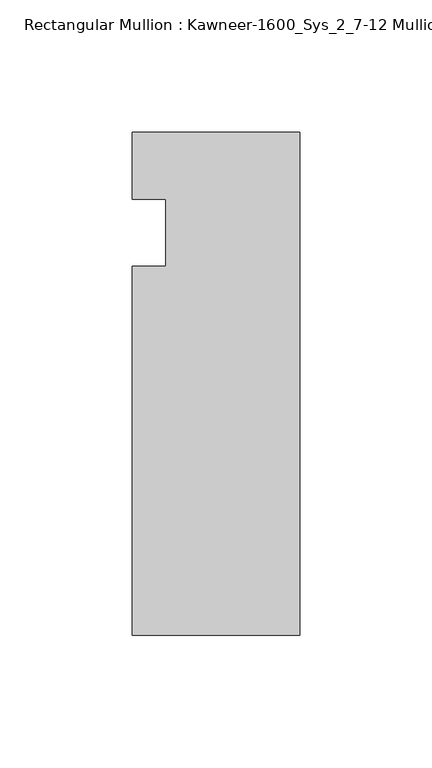
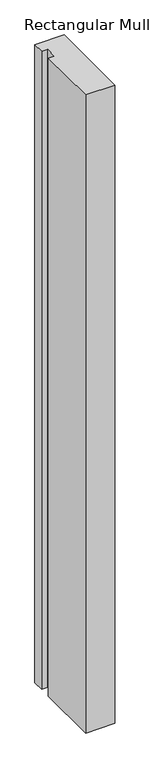
"""IFC4 building model written with IfcOpenShell, lengths in millimetres: member geometry, Rectangular Mullion : Kawneer-1600_Sys_2_7-12 Mullion_Jamb L."""

from ifc_helpers import new_model, si_unit, frame, origin, place, context, project, spatial, polyline, outline, extrude, source, transform, mapped, element, save


def rectangular_mullion_kawneer_1600_sys_2_7_12_mullion_jamb_l_ce882c5d(model_context):
    return source(origin(), model_context, "Body", "SweptSolid", [
        extrude(outline(polyline([(-63.5, -152.4), (-63.5, -12.7), (-50.7982296, -12.7), (-50.7982296, 12.7), (-63.5, 12.7), (-63.5, 38.1), (0.0, 38.1), (0.0, -152.4), (-63.5, -152.4)])), frame((0.0, 0.0, -1463.04), z_axis=(0.0, 0.0, 1.0), x_axis=(1.0, 0.0, 0.0)), (0.0, 0.0, 1.0), 1463.04),
    ])


if __name__ == "__main__":
    model = new_model("IFC4")
    model_context = context("Model", 3, world=origin())
    ifc_project = project(units=[si_unit("LENGTHUNIT", "METRE", prefix="MILLI")], contexts=[model_context])
    site = spatial("IfcSite", under=ifc_project)
    building = spatial("IfcBuilding", under=site)
    placement = place(None, origin())
    rectangular_mullion_kawneer_1600_sys_2_7_12_mullion_jamb_l_shape = rectangular_mullion_kawneer_1600_sys_2_7_12_mullion_jamb_l_ce882c5d(model_context)
    element("IfcMember", 1, ObjectType="Rectangular Mullion : Kawneer-1600_Sys_2_7-12 Mullion_Jamb L", at=placement, inside=building, context=model_context, shape_type="MappedRepresentation", body=[
        mapped(rectangular_mullion_kawneer_1600_sys_2_7_12_mullion_jamb_l_shape, transform((0.0, 0.0, 0.0), x_axis=(1.0, 0.0, 0.0), y_axis=(0.0, 1.0, 0.0), z_axis=(0.0, 0.0, 1.0))),
    ])
    save(model, "model.ifc")
